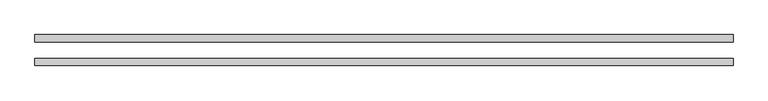
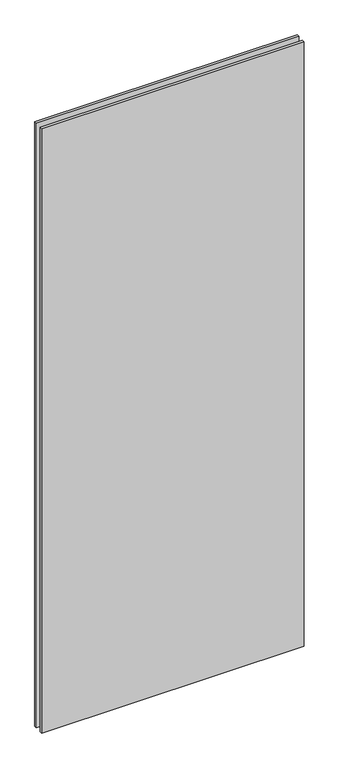
"""IFC4 building model written with IfcOpenShell, lengths in millimetres: plate geometry."""

from ifc_helpers import new_model, si_unit, origin, origin_with_axes, place, context, project, spatial, polyline, outline, extrude, source, transform, mapped, element, save


def plate_24d20f65(model_context):
    return source(origin(), model_context, "Body", "SweptSolid", [
        extrude(outline(polyline([(609.6, 26.9875), (609.6, 14.2875), (-609.6, 14.2875), (-609.6, 26.9875), (609.6, 26.9875)])), origin_with_axes(), (0.0, 0.0, 1.0), 2965.45),
        extrude(outline(polyline([(609.6, -26.9875), (-609.6, -26.9875), (-609.6, -14.2875), (609.6, -14.2875), (609.6, -26.9875)])), origin_with_axes(), (0.0, 0.0, 1.0), 2965.45),
    ])


if __name__ == "__main__":
    model = new_model("IFC4")
    model_context = context("Model", 3, world=origin())
    ifc_project = project(units=[si_unit("LENGTHUNIT", "METRE", prefix="MILLI")], contexts=[model_context])
    site = spatial("IfcSite", under=ifc_project)
    building = spatial("IfcBuilding", under=site)
    placement = place(None, origin())
    plate_shape = plate_24d20f65(model_context)
    element("IfcPlate", 1, at=placement, inside=building, context=model_context, shape_type="MappedRepresentation", body=[
        mapped(plate_shape, transform((0.0, 0.0, 0.0), x_axis=(1.0, 0.0, 0.0), y_axis=(0.0, 1.0, 0.0), z_axis=(0.0, 0.0, 1.0))),
    ])
    save(model, "model.ifc")
